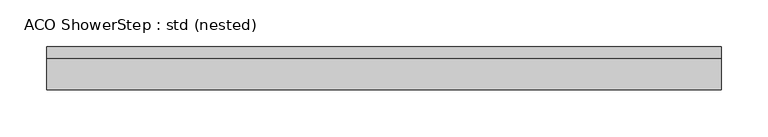
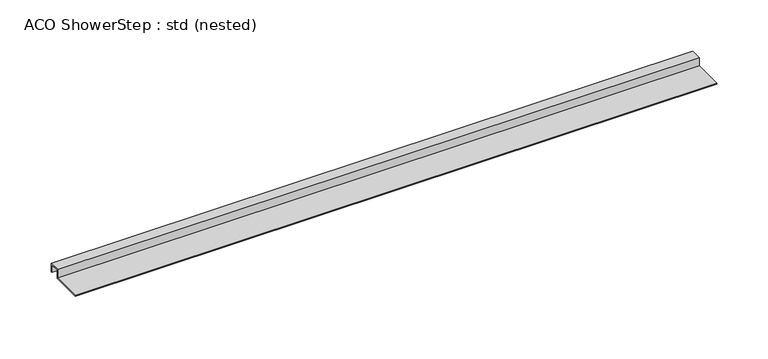
"""IFC4 building model written with IfcOpenShell, lengths in millimetres: sanitary terminal geometry, ACO ShowerStep : std (nested)."""

import ifcopenshell
import ifcopenshell.guid

model = None  # the IFC model being written
_history = None  # IfcOwnerHistory: only IFC2X3 demands one
_inside = {}  # id of a spatial element -> (the spatial element, [elements in it])
_under = {}  # id of a project, library or spatial element -> (it, [spatial elements below it])
_declared = {}  # id of a project -> (the project, [libraries it declares])
_typed = {}  # id of a type object -> (the type object, [elements of that type])
_made_of = {}  # id of a material, layer set ... -> (it, [elements and type objects made of it])


def new_model(schema):
    """Start an empty IFC model of exactly this schema.

    Asked for "IFC4X3", IfcOpenShell would pick the latest addendum, in which some entities
    have other attributes; the version numbers below select the first issue.
    IFC2X3 requires an IfcOwnerHistory on every rooted entity: one is made here for all.
    """
    global model, _history
    if schema == "IFC4X3":
        model = ifcopenshell.file(schema_version=(4, 3, 0, 0))
    else:
        model = ifcopenshell.file(schema=schema)
    _inside.clear()
    _under.clear()
    _declared.clear()
    _typed.clear()
    _made_of.clear()
    _history = None
    if model.schema == "IFC2X3":
        org = make("IfcOrganization", Name="unknown")
        user = make(
            "IfcPersonAndOrganization",
            ThePerson=make("IfcPerson", FamilyName="unknown"),
            TheOrganization=org,
        )
        app = make(
            "IfcApplication",
            ApplicationDeveloper=org,
            Version="unknown",
            ApplicationFullName="unknown",
            ApplicationIdentifier="unknown",
        )
        _history = make(
            "IfcOwnerHistory",
            OwningUser=user,
            OwningApplication=app,
            ChangeAction="ADDED",
            CreationDate=0,
        )
    return model


def make(cls, **values):
    """One entity of the class cls with the attributes given. An attribute that is None is left unset."""
    return model.create_entity(
        cls, **{name: value for name, value in values.items() if value is not None}
    )


def rooted(cls, **values):
    """An entity with a GlobalId (a new one), such as an element, a storey or a relation."""
    return make(cls, GlobalId=ifcopenshell.guid.new(), OwnerHistory=_history, **values)


def si_unit(unit_type, name, prefix=None):
    """IfcSIUnit, for example si_unit("LENGTHUNIT", "METRE", prefix="MILLI")."""
    return make("IfcSIUnit", UnitType=unit_type, Prefix=prefix, Name=name)


def assignment(units):
    """IfcUnitAssignment: the units of a project."""
    return None if units is None else make("IfcUnitAssignment", Units=units)


def point(xyz):
    """IfcCartesianPoint."""
    return None if xyz is None else make("IfcCartesianPoint", Coordinates=xyz)


def direction(xyz):
    """IfcDirection."""
    return None if xyz is None else make("IfcDirection", DirectionRatios=xyz)


def frame(location, z_axis=None, x_axis=None):
    """IfcAxis2Placement3D, a coordinate frame: its origin and axes. An axis left out is left unset."""
    return make(
        "IfcAxis2Placement3D",
        Location=point(location),
        Axis=direction(z_axis),
        RefDirection=direction(x_axis),
    )


def origin():
    """The frame at (0, 0, 0) with its axes left unset."""
    return frame((0.0, 0.0, 0.0))


def place(relative_to, where):
    """IfcLocalPlacement: puts the frame where relative to a parent placement (None: the world)."""
    return make(
        "IfcLocalPlacement", PlacementRelTo=relative_to, RelativePlacement=where
    )


def context(
    kind, dimensions, precision=None, world=None, true_north=None, identifier=None
):
    """IfcGeometricRepresentationContext, for example the 3D "Model" context."""
    return make(
        "IfcGeometricRepresentationContext",
        ContextIdentifier=identifier,
        ContextType=kind,
        CoordinateSpaceDimension=dimensions,
        Precision=precision,
        WorldCoordinateSystem=world,
        TrueNorth=true_north,
    )


def project(units=None, contexts=None):
    """IfcProject with its units and contexts."""
    return rooted(
        "IfcProject",
        Name="project",
        RepresentationContexts=contexts,
        UnitsInContext=assignment(units),
    )


def spatial(cls, under=None, at=None, **own):
    """A site, building, storey or space (cls), placed at a placement, below another one or the project."""
    s = rooted(cls, ObjectPlacement=at, **own)
    if under is not None:
        _under.setdefault(under.id(), (under, []))[1].append(s)
    return s


def faces_of(points, faces, orient=None, outer=None):
    """IfcFace entities. A face is a list of loops; a loop is a list of indices into points, from 0.

    orient and outer hold one flag for each loop. By default every Orientation is true, the
    first loop of a face is its IfcFaceOuterBound and the others are IfcFaceBound.
    """
    made = []
    for i, loops in enumerate(faces):
        bounds = []
        for j, loop in enumerate(loops):
            is_outer = j == 0 if outer is None else outer[i][j]
            bounds.append(
                make(
                    "IfcFaceOuterBound" if is_outer else "IfcFaceBound",
                    Bound=make("IfcPolyLoop", Polygon=[points[k] for k in loop]),
                    Orientation=True if orient is None else orient[i][j],
                )
            )
        made.append(make("IfcFace", Bounds=bounds))
    return made


def faceted_brep(points, faces, orient=None, outer=None, voids=None):
    """IfcFacetedBrep: a solid bounded by flat faces; with voids (closed shells), ...WithVoids."""
    shared = [point(p) for p in points]
    hull = make("IfcClosedShell", CfsFaces=faces_of(shared, faces, orient, outer))
    if voids is None:
        return make("IfcFacetedBrep", Outer=hull)
    return make(
        "IfcFacetedBrepWithVoids",
        Outer=hull,
        Voids=[
            make(cls, CfsFaces=faces_of(shared, fs, o, b)) for cls, fs, o, b in voids
        ],
    )


def shape(context_of_items, identifier, shape_type, items):
    """IfcShapeRepresentation: the items that make up one representation, for example the "Body"."""
    return make(
        "IfcShapeRepresentation",
        ContextOfItems=context_of_items,
        RepresentationIdentifier=identifier,
        RepresentationType=shape_type,
        Items=items,
    )


def source(mapping_origin, context_of_items, identifier, shape_type, items):
    """IfcRepresentationMap: a shape defined once, which mapped items show again and again."""
    return make(
        "IfcRepresentationMap",
        MappingOrigin=mapping_origin,
        MappedRepresentation=shape(context_of_items, identifier, shape_type, items),
    )


def transform(
    local_origin,
    x_axis=None,
    y_axis=None,
    z_axis=None,
    scale=None,
    scale2=None,
    scale3=None,
    uniform=True,
):
    """IfcCartesianTransformationOperator3D, or its non-uniform kind. x_axis, y_axis, z_axis: its Axis1, 2, 3."""
    if uniform:
        return make(
            "IfcCartesianTransformationOperator3D",
            Axis1=direction(x_axis),
            Axis2=direction(y_axis),
            LocalOrigin=point(local_origin),
            Scale=scale,
            Axis3=direction(z_axis),
        )
    return make(
        "IfcCartesianTransformationOperator3DnonUniform",
        Axis1=direction(x_axis),
        Axis2=direction(y_axis),
        LocalOrigin=point(local_origin),
        Scale=scale,
        Axis3=direction(z_axis),
        Scale2=scale2,
        Scale3=scale3,
    )


def mapped(mapping_source, mapping_target):
    """IfcMappedItem: shows the shape of a source again, moved by a transform."""
    return make(
        "IfcMappedItem", MappingSource=mapping_source, MappingTarget=mapping_target
    )


def made_of(thing, what):
    """Note that an element or type object is made of a material, layer set ...; save() writes the relation."""
    if what is not None:
        _made_of.setdefault(what.id(), (what, []))[1].append(thing)
    return thing


def element(
    cls,
    number,
    at=None,
    inside=None,
    cuts=None,
    type_object=None,
    material=None,
    context=None,
    identifier="Body",
    shape_type=None,
    held_by="IfcProductDefinitionShape",
    body=None,
    shapes=None,
    **own,
):
    """One element of the class cls, such as IfcWall. Its Tag is "e" and its number.

    at: its placement. inside: the storey or other place that contains it. cuts: it is an
    opening in that element (IfcRelVoidsElement). A single representation is given by context,
    identifier, shape_type and body (its items); several are given by shapes. held_by: the class
    of the entity that holds the representations. save() writes the other relations.
    """
    e = rooted(cls, Tag="e%d" % number, ObjectPlacement=at, **own)
    if body is not None:
        shapes = [shape(context, identifier, shape_type, body)]
    if shapes is not None:
        e.Representation = make(held_by, Representations=shapes)
    if inside is not None:
        _inside.setdefault(inside.id(), (inside, []))[1].append(e)
    if cuts is not None:
        rooted(
            "IfcRelVoidsElement", RelatingBuildingElement=cuts, RelatedOpeningElement=e
        )
    if type_object is not None:
        _typed.setdefault(type_object.id(), (type_object, []))[1].append(e)
    return made_of(e, material)


def aggregate(whole, parts):
    """IfcRelAggregates: a whole, such as a stair, and the parts it consists of."""
    return rooted("IfcRelAggregates", RelatingObject=whole, RelatedObjects=parts)


def save(model, path):
    """Write the relations noted so far, then the file.

    IfcRelAggregates (storeys below a building ...), IfcRelContainedInSpatialStructure (elements
    in a storey), IfcRelDefinesByType, IfcRelAssociatesMaterial and IfcRelDeclares: one each for
    every whole, place, type object, material and project.
    """
    for whole, parts in _under.values():
        aggregate(whole, parts)
    for where, things in _inside.values():
        rooted(
            "IfcRelContainedInSpatialStructure",
            RelatedElements=things,
            RelatingStructure=where,
        )
    for kind, things in _typed.values():
        rooted("IfcRelDefinesByType", RelatedObjects=things, RelatingType=kind)
    for what, things in _made_of.values():
        rooted("IfcRelAssociatesMaterial", RelatedObjects=things, RelatingMaterial=what)
    for by, libraries in _declared.values():
        rooted("IfcRelDeclares", RelatingContext=by, RelatedDefinitions=libraries)
    model.write(path)


def aco_showerstep_std_nested_df04e267(model_context):
    return source(origin(), model_context, "Body", "Brep", [
        faceted_brep([(0.0, -1.0, -10.0), (0.0, -1.0, -1.0), (0.0, -11.0004219, -1.0), (0.0, -11.0004219, -11.0), (0.0, -46.0004219, -11.0), (0.0, -46.0004219, -10.0), (0.0, -12.0076915, -10.0), (0.0, -12.0076915, 0.0), (0.0, 0.0, 0.0), (0.0, 0.0, -10.0), (720.3840981, 0.0, -24.5532141), (720.3840981, -1.0, -24.5532141), (720.3840981, 0.0, 0.0), (720.3840981, -12.0076915, 0.0), (720.3840981, -12.0076915, -10.0), (720.3840981, -46.0004219, -10.0), (720.3840981, -46.0004219, -11.0), (720.3840981, -11.0004219, -11.0), (720.3840981, -11.0004219, -1.0), (720.3840981, -1.0, -1.0)], [[[0, 1, 2, 3, 4, 5, 6, 7, 8, 9]], [[0, 9, 10, 11]], [[9, 8, 12, 10]], [[8, 7, 13, 12]], [[7, 6, 14, 13]], [[6, 5, 15, 14]], [[5, 4, 16, 15]], [[4, 3, 17, 16]], [[3, 2, 18, 17]], [[2, 1, 19, 18]], [[1, 0, 11, 19]], [[11, 10, 12, 13, 14, 15, 16, 17, 18, 19]]]),
    ])


if __name__ == "__main__":
    model = new_model("IFC4")
    model_context = context("Model", 3, world=origin())
    ifc_project = project(units=[si_unit("LENGTHUNIT", "METRE", prefix="MILLI")], contexts=[model_context])
    site = spatial("IfcSite", under=ifc_project)
    building = spatial("IfcBuilding", under=site)
    placement = place(None, origin())
    aco_showerstep_std_nested_shape = aco_showerstep_std_nested_df04e267(model_context)
    element("IfcSanitaryTerminal", 1, ObjectType="ACO ShowerStep : std (nested)", at=placement, inside=building, context=model_context, shape_type="MappedRepresentation", body=[
        mapped(aco_showerstep_std_nested_shape, transform((0.0, 0.0, 0.0), x_axis=(1.0, 0.0, 0.0), y_axis=(0.0, 1.0, 0.0), z_axis=(0.0, 0.0, 1.0))),
    ])
    save(model, "model.ifc")
